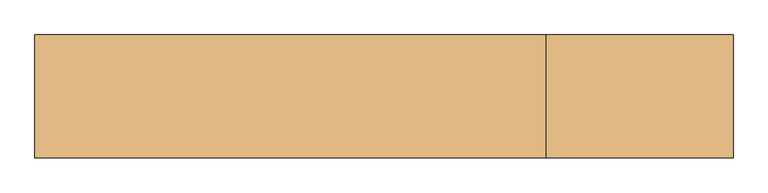
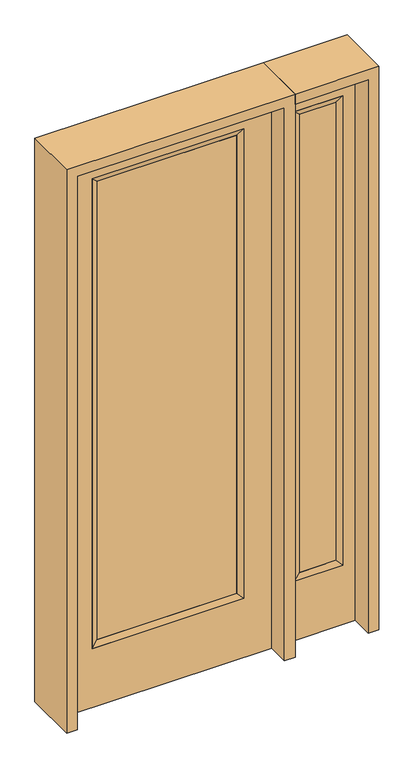
"""IFC4 building model written with IfcOpenShell, lengths in millimetres: door geometry."""

from ifc_helpers import new_model, si_unit, frame, origin, place, context, project, spatial, polyline, outline, extrude, faceted_brep, source, transform, mapped, element, save


def door_668ef333(model_context):
    return source(origin(), model_context, "Body", "SolidModel", [
        extrude(outline(polyline([(290.9824, -12.7039749), (-290.9824, -12.7039749), (-290.9824, 14.2875), (290.9824, 14.2875), (290.9824, -12.7039749)])), frame((0.0, 0.0, 285.75), z_axis=(0.0, 0.0, 1.0), x_axis=(1.0, 0.0, 0.0)), (0.0, 0.0, 1.0), 2019.3),
        faceted_brep([(290.9824, 14.2875, 2305.05), (316.3824, 22.225, 2330.45), (316.3824, 22.225, 260.35), (290.9824, 14.2875, 285.75), (316.3824, -22.225, 2330.45), (316.3824, -22.225, 260.35), (-316.3824, 22.225, 260.35), (-290.9824, 14.2875, 285.75), (290.9824, -12.7039749, 2305.05), (290.9824, -12.7039749, 285.75), (-290.9824, -12.7039749, 285.75), (-316.3824, -22.225, 260.35), (-316.3824, 22.225, 2330.45), (-290.9824, 14.2875, 2305.05), (-290.9824, -12.7039749, 2305.05), (-316.3824, -22.225, 2330.45)], [[[0, 1, 2, 3]], [[1, 4, 5, 2]], [[3, 2, 6, 7]], [[8, 0, 3, 9]], [[9, 3, 7, 10]], [[4, 8, 9, 5]], [[5, 9, 10, 11]], [[2, 5, 11, 6]], [[7, 6, 12, 13]], [[10, 7, 13, 14]], [[11, 10, 14, 15]], [[6, 11, 15, 12]], [[13, 12, 1, 0]], [[14, 13, 0, 8]], [[15, 14, 8, 4]], [[12, 15, 4, 1]]]),
        extrude(outline(polyline([(0.0, -431.8), (0.0, 431.8), (2438.4, 431.8), (2438.4, -431.8), (0.0, -431.8)]), holes=[polyline([(260.35, -316.3824), (2330.45, -316.3824), (2330.45, 316.3824), (260.35, 316.3824), (260.35, -316.3824)])]), frame((0.0, -22.225, 0.0), z_axis=(0.0, 1.0, 0.0), x_axis=(0.0, 0.0, 1.0)), (0.0, 0.0, 1.0), 44.45),
        faceted_brep([(527.05, 20.6375, 2330.45), (527.05, 20.6375, 260.35), (527.05, -20.6375, 260.35), (527.05, -20.6375, 2330.45), (552.45, -12.7, 285.75), (552.45, -12.7, 2305.05), (730.25, 20.6375, 260.35), (730.25, -20.6375, 260.35), (552.45, 12.7, 2305.05), (552.45, 12.7, 285.75), (704.85, 12.7, 285.75), (704.85, -12.7, 285.75), (730.25, 20.6375, 2330.45), (730.25, -20.6375, 2330.45), (704.85, 12.7, 2305.05), (704.85, -12.7, 2305.05)], [[[0, 1, 2, 3]], [[3, 2, 4, 5]], [[1, 6, 7, 2]], [[8, 9, 1, 0]], [[9, 10, 6, 1]], [[5, 4, 9, 8]], [[4, 11, 10, 9]], [[2, 7, 11, 4]], [[6, 12, 13, 7]], [[10, 14, 12, 6]], [[11, 15, 14, 10]], [[7, 13, 15, 11]], [[12, 0, 3, 13]], [[14, 8, 0, 12]], [[15, 5, 8, 14]], [[13, 3, 5, 15]]]),
        extrude(outline(polyline([(0.0, 781.05), (2438.4, 781.05), (2438.4, 476.25), (0.0, 476.25), (0.0, 781.05)]), holes=[polyline([(2330.45, 527.05), (2330.45, 730.25), (260.35, 730.25), (260.35, 527.05), (2330.45, 527.05)])]), frame((0.0, -20.6375, 0.0), z_axis=(0.0, 1.0, 0.0), x_axis=(0.0, 0.0, 1.0)), (0.0, 0.0, 1.0), 41.275),
        extrude(outline(polyline([(552.45, -12.7), (552.45, 12.7), (704.85, 12.7), (704.85, -12.7), (552.45, -12.7)])), frame((0.0, 0.0, 284.95625), z_axis=(0.0, 0.0, 1.0), x_axis=(1.0, 0.0, 0.0)), (0.0, 0.0, 1.0), 2020.09375),
        extrude(outline(polyline([(2482.85, -476.25), (0.0, -476.25), (0.0, -431.8), (2438.4, -431.8), (2438.4, 431.8), (0.0, 431.8), (0.0, 476.25), (2482.85, 476.25), (2482.85, -476.25)])), frame((0.0, -114.3, 0.0), z_axis=(0.0, 1.0, 0.0), x_axis=(0.0, 0.0, 1.0)), (0.0, 0.0, 1.0), 228.6),
        extrude(outline(polyline([(0.0, 781.05), (0.0, 825.5), (2482.85, 825.5), (2482.85, 476.25), (2438.4, 476.25), (2438.4, 781.05), (0.0, 781.05)])), frame((0.0, -114.3, 0.0), z_axis=(0.0, 1.0, 0.0), x_axis=(0.0, 0.0, 1.0)), (0.0, 0.0, 1.0), 228.6),
    ])


if __name__ == "__main__":
    model = new_model("IFC4")
    model_context = context("Model", 3, world=origin())
    ifc_project = project(units=[si_unit("LENGTHUNIT", "METRE", prefix="MILLI")], contexts=[model_context])
    site = spatial("IfcSite", under=ifc_project)
    building = spatial("IfcBuilding", under=site)
    placement = place(None, origin())
    door_shape = door_668ef333(model_context)
    element("IfcDoor", 1, at=placement, inside=building, context=model_context, shape_type="MappedRepresentation", body=[
        mapped(door_shape, transform((0.0, 0.0, 0.0), x_axis=(1.0, 0.0, 0.0), y_axis=(0.0, 1.0, 0.0), z_axis=(0.0, 0.0, 1.0))),
    ])
    save(model, "model.ifc")
